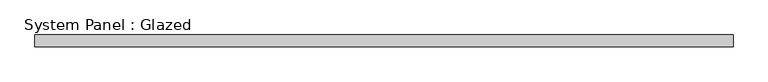
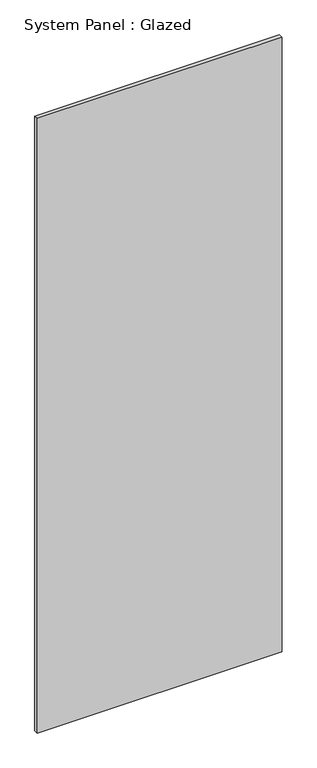
"""IFC4 building model written with IfcOpenShell, lengths in millimetres: plate geometry, System Panel : Glazed."""

from ifc_helpers import new_model, si_unit, origin, origin_with_axes, place, context, project, spatial, polyline, outline, extrude, source, transform, mapped, element, save


def system_panel_glazed_ef9bb02e(model_context):
    return source(origin(), model_context, "Body", "SweptSolid", [
        extrude(outline(polyline([(744.2501096, 24.5), (-744.2501096, 24.5), (-744.2501096, 49.5), (744.2501096, 49.5), (744.2501096, 24.5)])), origin_with_axes(), (0.0, 0.0, 1.0), 3950.0),
    ])


if __name__ == "__main__":
    model = new_model("IFC4")
    model_context = context("Model", 3, world=origin())
    ifc_project = project(units=[si_unit("LENGTHUNIT", "METRE", prefix="MILLI")], contexts=[model_context])
    site = spatial("IfcSite", under=ifc_project)
    building = spatial("IfcBuilding", under=site)
    placement = place(None, origin())
    system_panel_glazed_shape = system_panel_glazed_ef9bb02e(model_context)
    element("IfcPlate", 1, ObjectType="System Panel : Glazed", at=placement, inside=building, context=model_context, shape_type="MappedRepresentation", body=[
        mapped(system_panel_glazed_shape, transform((0.0, 0.0, 0.0), x_axis=(1.0, 0.0, 0.0), y_axis=(0.0, 1.0, 0.0), z_axis=(0.0, 0.0, 1.0))),
    ])
    save(model, "model.ifc")
